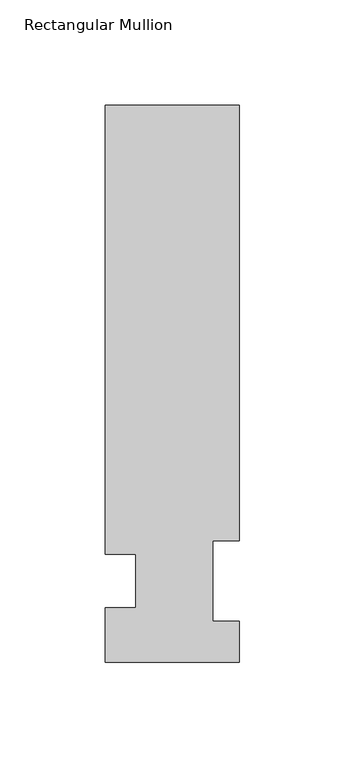
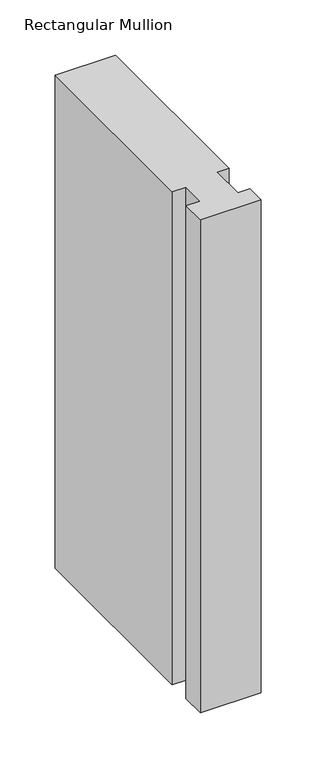
"""IFC4 building model written with IfcOpenShell, lengths in millimetres: member geometry, Rectangular Mullion."""

from ifc_helpers import new_model, si_unit, frame, origin, place, context, project, spatial, polyline, outline, extrude, source, transform, mapped, element, save


def rectangular_mullion_86c8ce38(model_context):
    return source(origin(), model_context, "Body", "SweptSolid", [
        extrude(outline(polyline([(-63.5, 264.0210938), (0.0, 264.0210938), (0.0, 57.6460937), (-12.6873, 57.6460938), (-12.6873, 19.5460938), (0.0, 19.5460937), (0.0, 0.0134938), (-63.5, 0.0134938), (-63.5, 25.8960938), (-49.2125, 25.8960938), (-49.2125, 51.2960938), (-63.5, 51.2960938), (-63.5, 264.0210938)])), frame((0.0, 0.0, -546.1), z_axis=(0.0, 0.0, 1.0), x_axis=(1.0, 0.0, 0.0)), (0.0, 0.0, 1.0), 546.1),
    ])


if __name__ == "__main__":
    model = new_model("IFC4")
    model_context = context("Model", 3, world=origin())
    ifc_project = project(units=[si_unit("LENGTHUNIT", "METRE", prefix="MILLI")], contexts=[model_context])
    site = spatial("IfcSite", under=ifc_project)
    building = spatial("IfcBuilding", under=site)
    placement = place(None, origin())
    rectangular_mullion_shape = rectangular_mullion_86c8ce38(model_context)
    element("IfcMember", 1, ObjectType="Rectangular Mullion", at=placement, inside=building, context=model_context, shape_type="MappedRepresentation", body=[
        mapped(rectangular_mullion_shape, transform((0.0, 0.0, 0.0), x_axis=(1.0, 0.0, 0.0), y_axis=(0.0, 1.0, 0.0), z_axis=(0.0, 0.0, 1.0))),
    ])
    save(model, "model.ifc")
